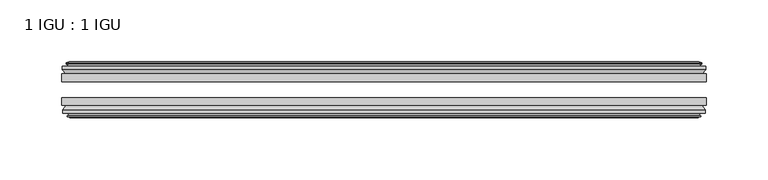
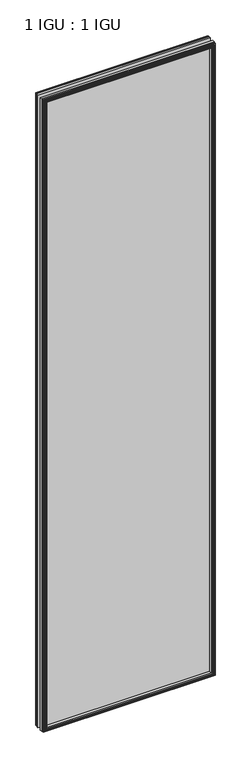
"""IFC4 building model written with IfcOpenShell, lengths in millimetres: plate geometry, 1 IGU : 1 IGU."""

from ifc_helpers import new_model, si_unit, frame, origin, place, context, project, spatial, polyline, outline, extrude, faceted_brep, source, transform, mapped, element, save


def plate_1_igu_1_igu_e0743b43(model_context):
    return source(origin(), model_context, "Body", "SolidModel", [
        extrude(outline(polyline([(260.3879649, -25.8960937), (260.3879649, -32.2460938), (-260.3879649, -32.2460938), (-260.3879649, -25.8960937), (260.3879649, -25.8960937)])), frame((0.0, 0.0, -12.7), z_axis=(0.0, 0.0, 1.0), x_axis=(1.0, 0.0, 0.0)), (0.0, 0.0, 1.0), 2019.3),
        extrude(outline(polyline([(-260.3879649, -51.2960938), (-260.3879649, -45.2686737), (260.3879649, -45.2686737), (260.3879649, -51.2960938), (-260.3879649, -51.2960938)])), frame((0.0, 0.0, -12.7), z_axis=(0.0, 0.0, 1.0), x_axis=(1.0, 0.0, 0.0)), (0.0, 0.0, 1.0), 2019.3),
        faceted_brep([(-254.7999649, -60.0262907, 2001.012), (-255.1809649, -57.6460937, 2001.393), (-255.1809649, -57.6460937, -7.493), (-254.7999649, -60.0262907, -7.112), (-256.215494, -59.5663575, 2002.4275291), (-256.215494, -59.5663575, -8.5275291), (-256.215494, -60.3675717, 2002.4275291), (-256.215494, -60.3675717, -8.5275291), (-254.0379649, -61.0750937, 2000.25), (-254.0379649, -61.0750937, -6.35), (-251.8604359, -60.3675717, 1998.072471), (-251.8604359, -60.3675717, -4.1724709), (-251.8604359, -59.5663575, 1998.072471), (-251.8604359, -59.5663575, -4.1724709), (-253.2759649, -60.0262907, 1999.488), (-253.2759649, -60.0262907, -5.588), (-252.8949649, -57.6460937, 1999.107), (-252.8949649, -57.6460937, -5.207), (-245.9702469, -51.2960937, 1992.1822819), (-247.6879649, -57.6460937, 1993.9), (-247.6879649, -57.6460937, 0.0), (-245.9702469, -51.2960937, 1.7177181), (-259.6259649, -54.6996937, 2005.838), (-256.7916228, -51.2960937, 2003.0036578), (-256.7916228, -51.2960937, -9.1036578), (-259.6259649, -54.6996937, -11.938), (-259.6259649, -57.6460937, 2005.838), (-259.6259649, -57.6460937, -11.938), (255.1809649, -57.6460938, -7.493), (254.7999649, -60.0262907, -7.112), (256.215494, -59.5663575, -8.5275291), (256.215494, -60.3675717, -8.5275291), (254.0379649, -61.0750937, -6.35), (251.8604359, -60.3675717, -4.1724709), (251.8604359, -59.5663575, -4.1724709), (253.2759649, -60.0262907, -5.588), (252.8949649, -57.6460937, -5.207), (247.6879649, -57.6460937, 0.0), (245.9702469, -51.2960937, 1.7177181), (256.7916228, -51.2960937, -9.1036578), (259.6259649, -54.6996937, -11.938), (259.6259649, -57.6460938, -11.938), (255.1809649, -57.6460938, 2001.393), (254.7999649, -60.0262907, 2001.012), (256.215494, -59.5663575, 2002.4275291), (256.215494, -60.3675717, 2002.4275291), (254.0379649, -61.0750937, 2000.25), (251.8604359, -60.3675717, 1998.072471), (251.8604359, -59.5663575, 1998.072471), (253.2759649, -60.0262907, 1999.488), (252.8949649, -57.6460937, 1999.107), (247.6879649, -57.6460937, 1993.9), (245.9702469, -51.2960937, 1992.1822819), (256.7916228, -51.2960937, 2003.0036578), (259.6259649, -54.6996937, 2005.838), (259.6259649, -57.6460938, 2005.838)], [[[0, 1, 2, 3]], [[4, 0, 3, 5]], [[6, 4, 5, 7]], [[8, 6, 7, 9]], [[10, 8, 9, 11]], [[12, 10, 11, 13]], [[14, 12, 13, 15]], [[16, 14, 15, 17]], [[18, 19, 20, 21]], [[22, 23, 24, 25]], [[26, 22, 25, 27]], [[3, 2, 28, 29]], [[5, 3, 29, 30]], [[7, 5, 30, 31]], [[9, 7, 31, 32]], [[11, 9, 32, 33]], [[13, 11, 33, 34]], [[15, 13, 34, 35]], [[17, 15, 35, 36]], [[21, 20, 37, 38]], [[25, 24, 39, 40]], [[27, 25, 40, 41]], [[29, 28, 42, 43]], [[30, 29, 43, 44]], [[31, 30, 44, 45]], [[32, 31, 45, 46]], [[33, 32, 46, 47]], [[34, 33, 47, 48]], [[35, 34, 48, 49]], [[36, 35, 49, 50]], [[38, 37, 51, 52]], [[40, 39, 53, 54]], [[41, 40, 54, 55]], [[27, 41, 55, 26], [1, 42, 28, 2]], [[43, 42, 1, 0]], [[44, 43, 0, 4]], [[45, 44, 4, 6]], [[46, 45, 6, 8]], [[47, 46, 8, 10]], [[48, 47, 10, 12]], [[49, 48, 12, 14]], [[50, 49, 14, 16]], [[17, 36, 50, 16], [19, 51, 37, 20]], [[52, 51, 19, 18]], [[23, 53, 39, 24], [21, 38, 52, 18]], [[54, 53, 23, 22]], [[55, 54, 22, 26]]]),
        faceted_brep([(-257.3123228, -25.8960937, 2003.5243578), (-260.1466649, -22.4924937, 2006.3587), (-260.1466649, -22.4924937, -12.4587), (-257.3123228, -25.8960937, -9.6243578), (-248.2086649, -19.5460937, 1994.4207), (-246.4909469, -25.8960937, 1992.7029819), (-246.4909469, -25.8960937, 1.1970181), (-248.2086649, -19.5460937, -0.5207), (-253.7966649, -17.1658968, 2000.0087), (-253.4156649, -19.5460937, 1999.6277), (-253.4156649, -19.5460937, -5.7277), (-253.7966649, -17.1658968, -6.1087), (-252.3811359, -17.62583, 1998.593171), (-252.3811359, -17.62583, -4.6931709), (-252.3811359, -16.8246158, 1998.593171), (-252.3811359, -16.8246158, -4.6931709), (-254.5586649, -16.1170937, 2000.7707), (-254.5586649, -16.1170937, -6.8707), (-256.736194, -16.8246158, 2002.9482291), (-256.736194, -16.8246158, -9.0482291), (-256.736194, -17.62583, 2002.9482291), (-256.736194, -17.62583, -9.0482291), (-255.3206649, -17.1658968, 2001.5327), (-255.3206649, -17.1658968, -7.6327), (-255.7016649, -19.5460937, 2001.9137), (-255.7016649, -19.5460937, -8.0137), (-260.1466649, -19.5460937, 2006.3587), (-260.1466649, -19.5460937, -12.4587), (260.1466649, -22.4924937, -12.4587), (257.3123228, -25.8960937, -9.6243578), (246.4909469, -25.8960937, 1.1970181), (248.2086649, -19.5460937, -0.5207), (253.4156649, -19.5460937, -5.7277), (253.7966649, -17.1658968, -6.1087), (252.3811359, -17.62583, -4.6931709), (252.3811359, -16.8246158, -4.6931709), (254.5586649, -16.1170937, -6.8707), (256.736194, -16.8246158, -9.0482291), (256.736194, -17.62583, -9.0482291), (255.3206649, -17.1658968, -7.6327), (255.7016649, -19.5460937, -8.0137), (260.1466649, -19.5460937, -12.4587), (260.1466649, -22.4924937, 2006.3587), (257.3123228, -25.8960937, 2003.5243578), (246.4909469, -25.8960937, 1992.7029819), (248.2086649, -19.5460937, 1994.4207), (253.4156649, -19.5460937, 1999.6277), (253.7966649, -17.1658968, 2000.0087), (252.3811359, -17.62583, 1998.593171), (252.3811359, -16.8246158, 1998.593171), (254.5586649, -16.1170937, 2000.7707), (256.736194, -16.8246158, 2002.9482291), (256.736194, -17.62583, 2002.9482291), (255.3206649, -17.1658968, 2001.5327), (255.7016649, -19.5460937, 2001.9137), (260.1466649, -19.5460937, 2006.3587)], [[[0, 1, 2, 3]], [[4, 5, 6, 7]], [[8, 9, 10, 11]], [[12, 8, 11, 13]], [[14, 12, 13, 15]], [[16, 14, 15, 17]], [[18, 16, 17, 19]], [[20, 18, 19, 21]], [[22, 20, 21, 23]], [[24, 22, 23, 25]], [[1, 26, 27, 2]], [[3, 2, 28, 29]], [[7, 6, 30, 31]], [[11, 10, 32, 33]], [[13, 11, 33, 34]], [[15, 13, 34, 35]], [[17, 15, 35, 36]], [[19, 17, 36, 37]], [[21, 19, 37, 38]], [[23, 21, 38, 39]], [[25, 23, 39, 40]], [[2, 27, 41, 28]], [[29, 28, 42, 43]], [[31, 30, 44, 45]], [[33, 32, 46, 47]], [[34, 33, 47, 48]], [[35, 34, 48, 49]], [[36, 35, 49, 50]], [[37, 36, 50, 51]], [[38, 37, 51, 52]], [[39, 38, 52, 53]], [[40, 39, 53, 54]], [[28, 41, 55, 42]], [[43, 42, 1, 0]], [[3, 29, 43, 0], [5, 44, 30, 6]], [[45, 44, 5, 4]], [[9, 46, 32, 10], [7, 31, 45, 4]], [[47, 46, 9, 8]], [[48, 47, 8, 12]], [[49, 48, 12, 14]], [[50, 49, 14, 16]], [[51, 50, 16, 18]], [[52, 51, 18, 20]], [[53, 52, 20, 22]], [[54, 53, 22, 24]], [[26, 55, 41, 27], [25, 40, 54, 24]], [[42, 55, 26, 1]]]),
    ])


if __name__ == "__main__":
    model = new_model("IFC4")
    model_context = context("Model", 3, world=origin())
    ifc_project = project(units=[si_unit("LENGTHUNIT", "METRE", prefix="MILLI")], contexts=[model_context])
    site = spatial("IfcSite", under=ifc_project)
    building = spatial("IfcBuilding", under=site)
    placement = place(None, origin())
    plate_1_igu_1_igu_shape = plate_1_igu_1_igu_e0743b43(model_context)
    element("IfcPlate", 1, ObjectType="1 IGU : 1 IGU", at=placement, inside=building, context=model_context, shape_type="MappedRepresentation", body=[
        mapped(plate_1_igu_1_igu_shape, transform((0.0, 0.0, 0.0), x_axis=(1.0, 0.0, 0.0), y_axis=(0.0, 1.0, 0.0), z_axis=(0.0, 0.0, 1.0))),
    ])
    save(model, "model.ifc")
